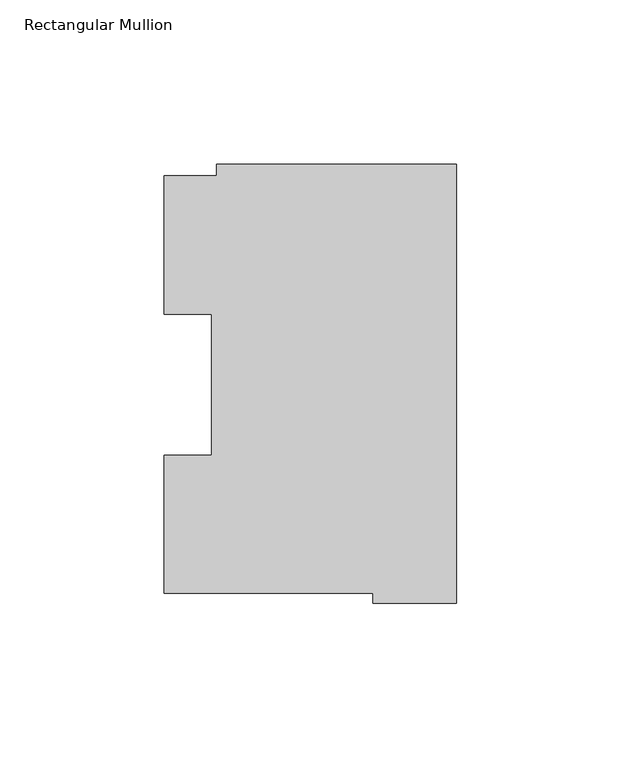
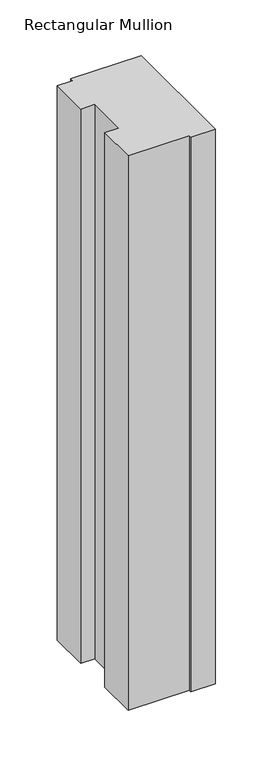
"""IFC4 building model written with IfcOpenShell, lengths in millimetres: member geometry, Rectangular Mullion."""

from ifc_helpers import new_model, si_unit, frame, origin, place, context, project, spatial, polyline, outline, extrude, source, transform, mapped, element, save


def rectangular_mullion_bd5a808a(model_context):
    return source(origin(), model_context, "Body", "SweptSolid", [
        extrude(outline(polyline([(-73.025, 130.1270275), (0.0, 130.1270275), (0.0, -3.2371943), (-25.3823253, -3.2371943), (-25.3823253, -0.2913097), (-88.8823253, -0.2913097), (-88.8823253, 41.7837928), (-74.4735473, 41.7837928), (-74.4735473, 84.6335938), (-88.8823253, 84.6335938), (-88.8823253, 126.7086938), (-73.025, 126.7086938), (-73.025, 130.1270275)])), frame((0.0, 0.0, -609.56825), z_axis=(0.0, 0.0, 1.0), x_axis=(1.0, 0.0, 0.0)), (0.0, 0.0, 1.0), 609.56825),
    ])


if __name__ == "__main__":
    model = new_model("IFC4")
    model_context = context("Model", 3, world=origin())
    ifc_project = project(units=[si_unit("LENGTHUNIT", "METRE", prefix="MILLI")], contexts=[model_context])
    site = spatial("IfcSite", under=ifc_project)
    building = spatial("IfcBuilding", under=site)
    placement = place(None, origin())
    rectangular_mullion_shape = rectangular_mullion_bd5a808a(model_context)
    element("IfcMember", 1, ObjectType="Rectangular Mullion", at=placement, inside=building, context=model_context, shape_type="MappedRepresentation", body=[
        mapped(rectangular_mullion_shape, transform((0.0, 0.0, 0.0), x_axis=(1.0, 0.0, 0.0), y_axis=(0.0, 1.0, 0.0), z_axis=(0.0, 0.0, 1.0))),
    ])
    save(model, "model.ifc")
